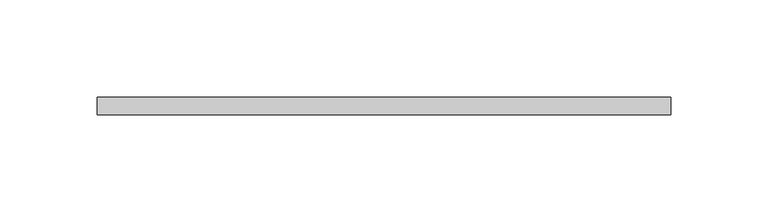
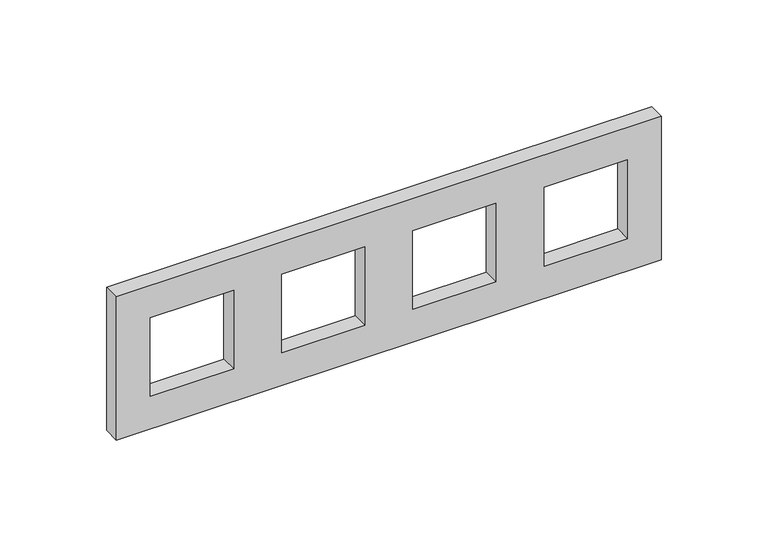
"""IFC4 building model written with IfcOpenShell, lengths in millimetres: proxy geometry."""

from ifc_helpers import new_model, si_unit, frame, origin, place, context, project, spatial, polyline, outline, extrude, source, transform, mapped, element, save


def electrical_fixtures_b36ebaa2(model_context):
    return source(origin(), model_context, "Body", "SweptSolid", [
        extrude(outline(polyline([(41.0, 147.5), (41.0, -147.5), (-41.0, -147.5), (-41.0, 147.5), (41.0, 147.5)]), holes=[polyline([(22.5, -84.0), (-22.5, -84.0), (-22.5, -129.0), (22.5, -129.0), (22.5, -84.0)]), polyline([(22.5, -13.0), (-22.5, -13.0), (-22.5, -58.0), (22.5, -58.0), (22.5, -13.0)]), polyline([(22.5, 58.0), (-22.5, 58.0), (-22.5, 13.0), (22.5, 13.0), (22.5, 58.0)]), polyline([(22.5, 129.0), (-22.5, 129.0), (-22.5, 84.0), (22.5, 84.0), (22.5, 129.0)])]), frame((0.0, 0.0, 0.0), z_axis=(0.0, 1.0, 0.0), x_axis=(0.0, 0.0, 1.0)), (0.0, 0.0, 1.0), 9.0),
    ])


if __name__ == "__main__":
    model = new_model("IFC4")
    model_context = context("Model", 3, world=origin())
    ifc_project = project(units=[si_unit("LENGTHUNIT", "METRE", prefix="MILLI")], contexts=[model_context])
    site = spatial("IfcSite", under=ifc_project)
    building = spatial("IfcBuilding", under=site)
    placement = place(None, origin())
    electrical_fixtures_shape = electrical_fixtures_b36ebaa2(model_context)
    element("IfcBuildingElementProxy", 1, Name="Electrical Fixtures", at=placement, inside=building, context=model_context, shape_type="MappedRepresentation", body=[
        mapped(electrical_fixtures_shape, transform((0.0, 0.0, 0.0), x_axis=(1.0, 0.0, 0.0), y_axis=(0.0, 1.0, 0.0), z_axis=(0.0, 0.0, 1.0))),
    ])
    save(model, "model.ifc")
